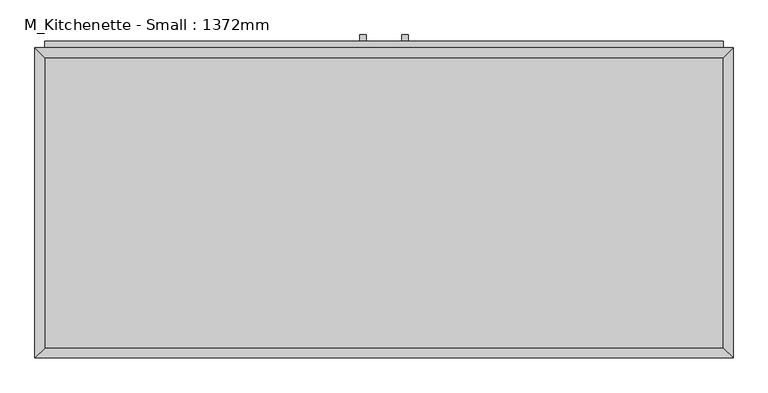
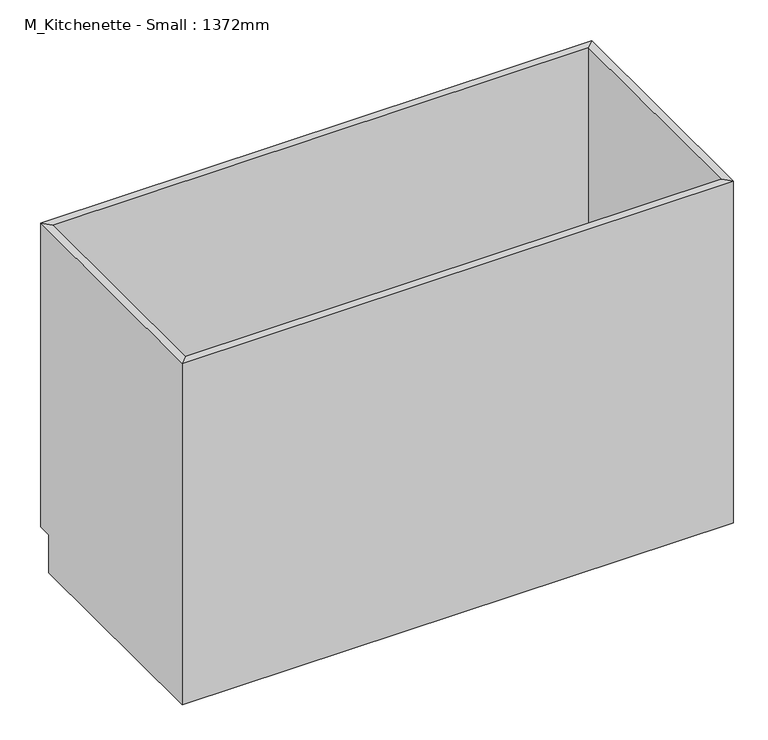
"""IFC4 building model written with IfcOpenShell, lengths in millimetres: proxy geometry, M_Kitchenette - Small : 1372mm."""

from ifc_helpers import new_model, si_unit, frame, origin, place, context, project, spatial, polyline, outline, extrude, faceted_brep, source, transform, mapped, element, save


def m_kitchenette_small_1372mm_20f34f81(model_context):
    return source(origin(), model_context, "Body", "SolidModel", [
        faceted_brep([(685.6877049, 590.95, 900.0), (-648.2122951, 590.95, 900.0), (-648.2122951, 590.95, 100.0), (685.6877049, 590.95, 100.0), (704.7377049, 610.0, 900.0), (-667.2622951, 610.0, 900.0), (704.7377049, 610.0, 100.0), (-667.2622951, 610.0, 100.0), (-648.2122951, 19.05, 900.0), (-648.2122951, 19.05, 100.0), (-648.2122951, 575.0, 100.0), (-667.2622951, 0.0, 900.0), (-667.2622951, 575.0, 100.0), (-667.2622951, 575.0, 0.0), (-667.2622951, 0.0, 0.0), (685.6877049, 19.05, 900.0), (685.6877049, 19.05, 100.0), (704.7377049, 0.0, 900.0), (704.7377049, 0.0, 0.0), (685.6877049, 575.0, 100.0), (704.7377049, 575.0, 0.0), (704.7377049, 575.0, 100.0)], [[[0, 1, 2, 3]], [[0, 4, 5, 1]], [[4, 6, 7, 5]], [[2, 7, 6, 3]], [[1, 8, 9, 10, 2]], [[5, 11, 8, 1]], [[7, 12, 13, 14, 11, 5]], [[2, 10, 12, 7]], [[8, 15, 16, 9]], [[11, 17, 15, 8]], [[14, 18, 17, 11]], [[3, 19, 16, 15, 0]], [[0, 15, 17, 4]], [[4, 17, 18, 20, 21, 6]], [[6, 21, 19, 3]], [[10, 9, 16, 19]], [[18, 14, 13, 20]], [[13, 12, 10, 19, 21, 20]]]),
        extrude(outline(polyline([(-16.1872951, 635.4), (-16.1872951, 622.7), (-28.8872951, 622.7), (-28.8872951, 635.4), (-16.1872951, 635.4)])), frame((0.0, 0.0, 620.6), z_axis=(0.0, 0.0, 1.0), x_axis=(1.0, 0.0, 0.0)), (0.0, 0.0, 1.0), 101.6),
        extrude(outline(polyline([(66.3627049, 635.4), (66.3627049, 622.7), (53.6627049, 622.7), (53.6627049, 635.4), (66.3627049, 635.4)])), frame((0.0, 0.0, 620.6), z_axis=(0.0, 0.0, 1.0), x_axis=(1.0, 0.0, 0.0)), (0.0, 0.0, 1.0), 101.6),
        extrude(outline(polyline([(9.2127049, 622.7), (9.2127049, 610.0), (-648.2122951, 610.0), (-648.2122951, 622.7), (9.2127049, 622.7)])), frame((0.0, 0.0, 119.05), z_axis=(0.0, 0.0, 1.0), x_axis=(1.0, 0.0, 0.0)), (0.0, 0.0, 1.0), 641.25),
        extrude(outline(polyline([(685.6877049, 622.7), (685.6877049, 610.0), (28.2627049, 610.0), (28.2627049, 622.7), (685.6877049, 622.7)])), frame((0.0, 0.0, 119.05), z_axis=(0.0, 0.0, 1.0), x_axis=(1.0, 0.0, 0.0)), (0.0, 0.0, 1.0), 641.25),
        extrude(outline(polyline([(685.6877049, 622.7), (685.6877049, 610.0), (-648.2122951, 610.0), (-648.2122951, 622.7), (685.6877049, 622.7)])), frame((0.0, 0.0, 779.35), z_axis=(0.0, 0.0, 1.0), x_axis=(1.0, 0.0, 0.0)), (0.0, 0.0, 1.0), 101.6),
        extrude(outline(polyline([(685.6877049, 19.05), (-648.2122951, 19.05), (-648.2122951, 590.95), (685.6877049, 590.95), (685.6877049, 19.05)])), frame((0.0, 0.0, 100.0), z_axis=(0.0, 0.0, 1.0), x_axis=(1.0, 0.0, 0.0)), (0.0, 0.0, 1.0), 19.05),
    ])


if __name__ == "__main__":
    model = new_model("IFC4")
    model_context = context("Model", 3, world=origin())
    ifc_project = project(units=[si_unit("LENGTHUNIT", "METRE", prefix="MILLI")], contexts=[model_context])
    site = spatial("IfcSite", under=ifc_project)
    building = spatial("IfcBuilding", under=site)
    placement = place(None, origin())
    m_kitchenette_small_1372mm_shape = m_kitchenette_small_1372mm_20f34f81(model_context)
    element("IfcBuildingElementProxy", 1, Name="M_Kitchenette - Small : 1372mm", ObjectType="M_Kitchenette - Small : 1372mm", at=placement, inside=building, context=model_context, shape_type="MappedRepresentation", body=[
        mapped(m_kitchenette_small_1372mm_shape, transform((0.0, 0.0, 0.0), x_axis=(1.0, 0.0, 0.0), y_axis=(0.0, 1.0, 0.0), z_axis=(0.0, 0.0, 1.0))),
    ])
    save(model, "model.ifc")
